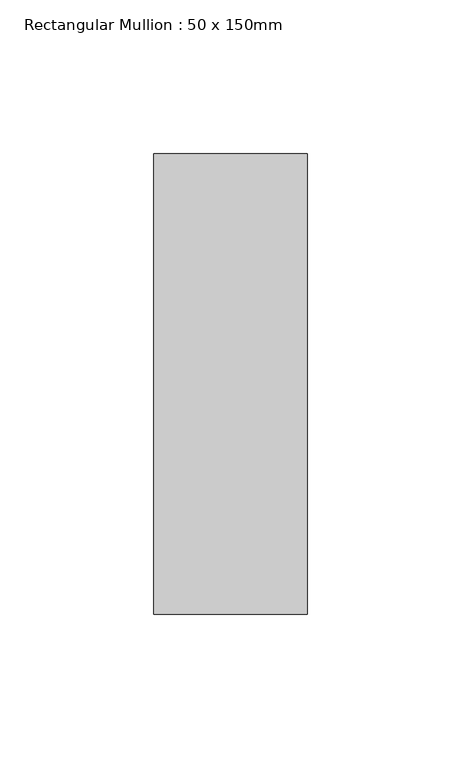
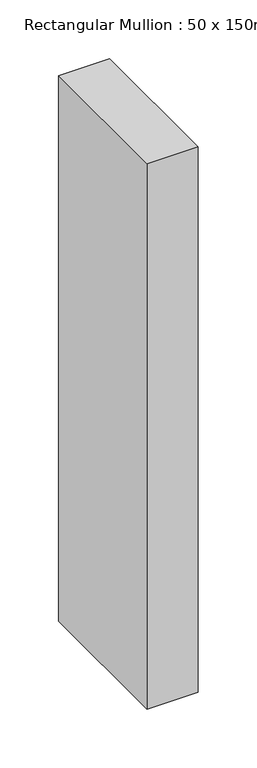
"""IFC4 building model written with IfcOpenShell, lengths in millimetres: member geometry, Rectangular Mullion : 50 x 150mm."""

from ifc_helpers import new_model, si_unit, frame, origin, place, context, project, spatial, polyline, outline, extrude, source, transform, mapped, element, save


def rectangular_mullion_50_x_150mm_395be4ef(model_context):
    return source(origin(), model_context, "Body", "SweptSolid", [
        extrude(outline(polyline([(0.0, 75.0), (0.0, -75.0), (-50.0, -75.0), (-50.0, 75.0), (0.0, 75.0)])), frame((0.0, 0.0, -565.5), z_axis=(0.0, 0.0, 1.0), x_axis=(1.0, 0.0, 0.0)), (0.0, 0.0, 1.0), 565.5),
    ])


if __name__ == "__main__":
    model = new_model("IFC4")
    model_context = context("Model", 3, world=origin())
    ifc_project = project(units=[si_unit("LENGTHUNIT", "METRE", prefix="MILLI")], contexts=[model_context])
    site = spatial("IfcSite", under=ifc_project)
    building = spatial("IfcBuilding", under=site)
    placement = place(None, origin())
    rectangular_mullion_50_x_150mm_shape = rectangular_mullion_50_x_150mm_395be4ef(model_context)
    element("IfcMember", 1, ObjectType="Rectangular Mullion : 50 x 150mm", at=placement, inside=building, context=model_context, shape_type="MappedRepresentation", body=[
        mapped(rectangular_mullion_50_x_150mm_shape, transform((0.0, 0.0, 0.0), x_axis=(1.0, 0.0, 0.0), y_axis=(0.0, 1.0, 0.0), z_axis=(0.0, 0.0, 1.0))),
    ])
    save(model, "model.ifc")
